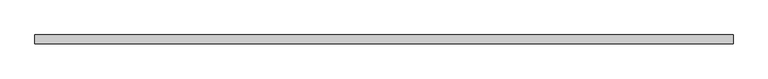
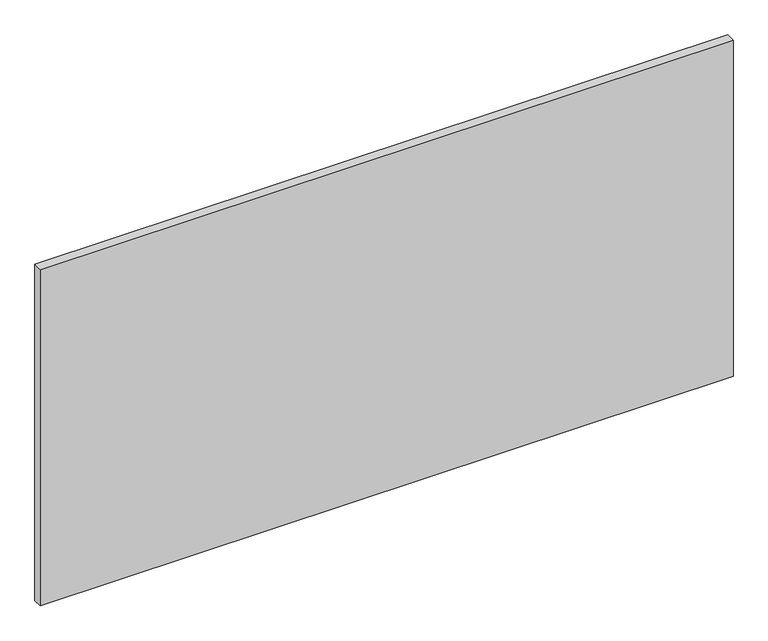
"""IFC4 building model written with IfcOpenShell, lengths in millimetres: plate geometry."""

from ifc_helpers import new_model, si_unit, origin, origin_with_axes, place, context, project, spatial, polyline, outline, extrude, source, transform, mapped, element, save


def plate_693baa0c(model_context):
    return source(origin(), model_context, "Body", "SweptSolid", [
        extrude(outline(polyline([(975.0, 24.5), (-975.0, 24.5), (-975.0, 49.5), (975.0, 49.5), (975.0, 24.5)])), origin_with_axes(), (0.0, 0.0, 1.0), 1000.0),
    ])


if __name__ == "__main__":
    model = new_model("IFC4")
    model_context = context("Model", 3, world=origin())
    ifc_project = project(units=[si_unit("LENGTHUNIT", "METRE", prefix="MILLI")], contexts=[model_context])
    site = spatial("IfcSite", under=ifc_project)
    building = spatial("IfcBuilding", under=site)
    placement = place(None, origin())
    plate_shape = plate_693baa0c(model_context)
    element("IfcPlate", 1, at=placement, inside=building, context=model_context, shape_type="MappedRepresentation", body=[
        mapped(plate_shape, transform((0.0, 0.0, 0.0), x_axis=(1.0, 0.0, 0.0), y_axis=(0.0, 1.0, 0.0), z_axis=(0.0, 0.0, 1.0))),
    ])
    save(model, "model.ifc")
